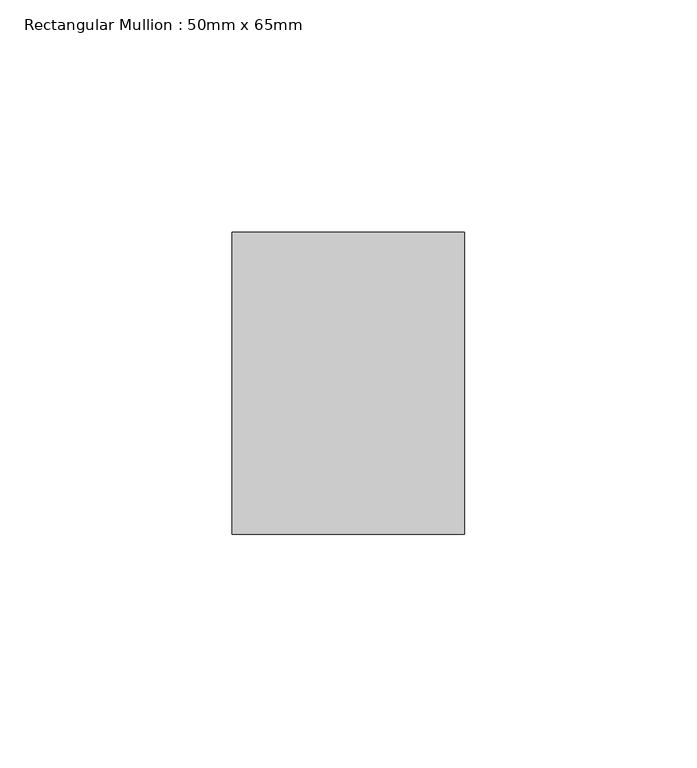
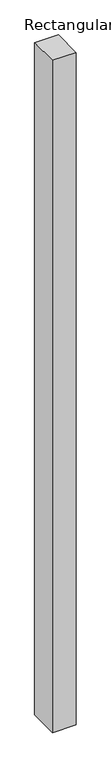
"""IFC4 building model written with IfcOpenShell, lengths in millimetres: member geometry, Rectangular Mullion : 50mm x 65mm."""

from ifc_helpers import new_model, si_unit, frame, origin, place, context, project, spatial, polyline, outline, extrude, source, transform, mapped, element, save


def rectangular_mullion_50mm_x_65mm_e023c1dc(model_context):
    return source(origin(), model_context, "Body", "SweptSolid", [
        extrude(outline(polyline([(-32.5, 0.0443357), (32.5, -0.0443358), (32.5, -1499.9018883), (-32.5, -1500.0980644), (-32.5, 0.0443357)])), frame((-25.0, 0.0, 0.0), z_axis=(1.0, 0.0, 0.0), x_axis=(0.0, 1.0, 0.0)), (0.0, 0.0, 1.0), 50.0),
    ])


if __name__ == "__main__":
    model = new_model("IFC4")
    model_context = context("Model", 3, world=origin())
    ifc_project = project(units=[si_unit("LENGTHUNIT", "METRE", prefix="MILLI")], contexts=[model_context])
    site = spatial("IfcSite", under=ifc_project)
    building = spatial("IfcBuilding", under=site)
    placement = place(None, origin())
    rectangular_mullion_50mm_x_65mm_shape = rectangular_mullion_50mm_x_65mm_e023c1dc(model_context)
    element("IfcMember", 1, ObjectType="Rectangular Mullion : 50mm x 65mm", at=placement, inside=building, context=model_context, shape_type="MappedRepresentation", body=[
        mapped(rectangular_mullion_50mm_x_65mm_shape, transform((0.0, 0.0, 0.0), x_axis=(1.0, 0.0, 0.0), y_axis=(0.0, 1.0, 0.0), z_axis=(0.0, 0.0, 1.0))),
    ])
    save(model, "model.ifc")
